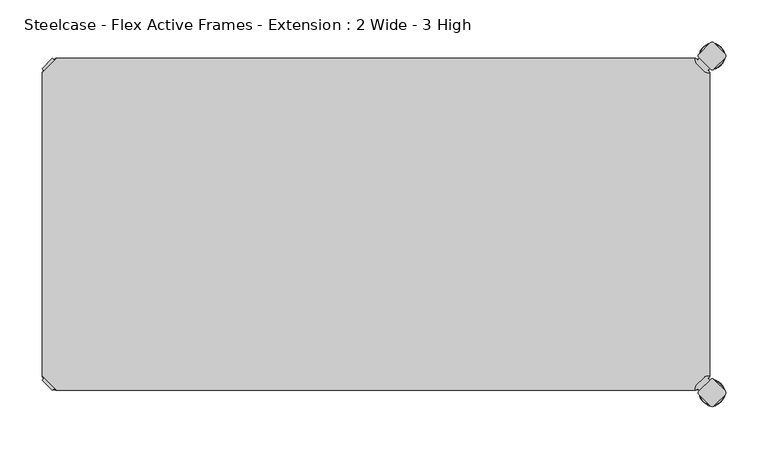
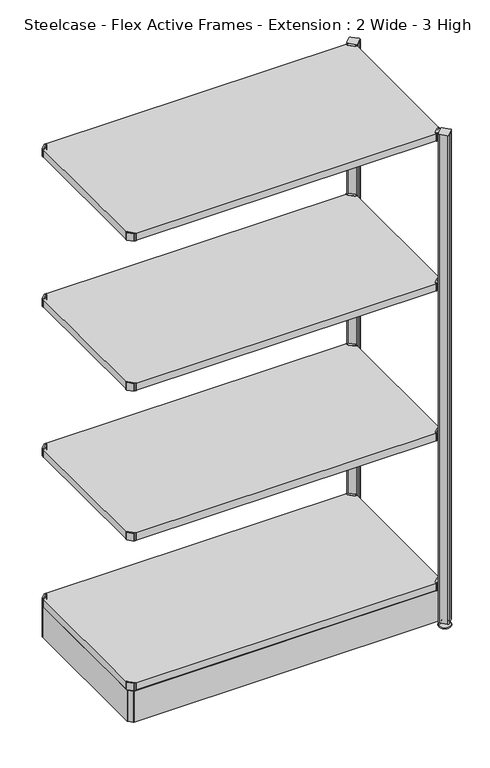
"""IFC4 building model written with IfcOpenShell, lengths in millimetres: furniture geometry, Steelcase - Flex Active Frames - Extension : 2 Wide - 3 High."""

from ifc_helpers import new_model, si_unit, point, frame, frame_2d, origin, place, context, project, spatial, polyline, circle_curve, ellipse_curve, trimmed, segment, composite_curve, outline, extrude, source, transform, mapped, element, save
from ifc_brep_helpers import plane_surface, cylinder_surface, revolved_surface, advanced_brep


def steelcase_flex_active_frames_extension_2_wide_3_high_677f6b04(model_context):
    return source(origin(), model_context, "Body", "SolidModel", [
        advanced_brep(
        [(795.4995166, -396.9286835, 0.0), (809.4482375, -396.9286835, 0.0), (781.5507958, -396.9286835, 0.0), (810.3951451, -396.9286835, 2.116325), (780.6038882, -396.9286835, 2.116325), (804.2429012, -396.9286835, 8.9997406), (786.7561321, -396.9286835, 8.9997406), (802.9003852, -396.9286835, 8.9997406), (788.0986481, -396.9286835, 8.9997406), (802.9003852, -396.9286835, 12.0919909), (788.0986481, -396.9286835, 12.0919909), (802.3923852, -396.9286835, 12.5999909), (788.6066481, -396.9286835, 12.5999909), (799.518847, -396.9286835, 12.5999909), (791.4801863, -396.9286835, 12.5999909), (799.518847, -396.9286835, 22.7146261), (791.4801863, -396.9286835, 22.7146261), (795.4995166, -396.9286835, 22.7146261)],
        [
            (0, 1),
            (1, 2, circle_curve(frame((795.4995166, -396.9286835, 0.0), z_axis=(0.0, 0.0, -1.0), x_axis=(1.0, 0.0, 0.0)), 13.9487209)),
            (2, 0),
            (2, 1, circle_curve(frame((795.4995166, -396.9286835, 0.0), z_axis=(0.0, 0.0, -1.0), x_axis=(1.0, 0.0, 0.0)), 13.9487209)),
            (1, 3, circle_curve(frame((809.4482375, -396.9286835, 1.27), z_axis=(0.0, -1.0, 0.0), x_axis=(1.0, 0.0, 0.0)), 1.27)),
            (3, 4, circle_curve(frame((795.4995166, -396.9286835, 2.116325), z_axis=(0.0, 0.0, -1.0), x_axis=(1.0, 0.0, 0.0)), 14.8956285)),
            (4, 2, circle_curve(frame((781.5507958, -396.9286835, 1.27), z_axis=(0.0, -1.0, 0.0), x_axis=(-1.0, 0.0, 0.0)), 1.27)),
            (4, 3, circle_curve(frame((795.4995166, -396.9286835, 2.116325), z_axis=(0.0, 0.0, -1.0), x_axis=(1.0, 0.0, 0.0)), 14.8956285)),
            (3, 5),
            (5, 6, circle_curve(frame((795.4995166, -396.9286835, 8.9997406), z_axis=(0.0, 0.0, -1.0), x_axis=(1.0, 0.0, 0.0)), 8.7433846)),
            (6, 4),
            (6, 5, circle_curve(frame((795.4995166, -396.9286835, 8.9997406), z_axis=(0.0, 0.0, -1.0), x_axis=(1.0, 0.0, 0.0)), 8.7433846)),
            (5, 7),
            (7, 8, circle_curve(frame((795.4995166, -396.9286835, 8.9997406), z_axis=(0.0, 0.0, -1.0), x_axis=(1.0, 0.0, 0.0)), 7.4008685)),
            (8, 6),
            (8, 7, circle_curve(frame((795.4995166, -396.9286835, 8.9997406), z_axis=(0.0, 0.0, -1.0), x_axis=(1.0, 0.0, 0.0)), 7.4008685)),
            (7, 9),
            (9, 10, circle_curve(frame((795.4995166, -396.9286835, 12.0919909), z_axis=(0.0, 0.0, -1.0), x_axis=(1.0, 0.0, 0.0)), 7.4008685)),
            (10, 8),
            (10, 9, circle_curve(frame((795.4995166, -396.9286835, 12.0919909), z_axis=(0.0, 0.0, -1.0), x_axis=(1.0, 0.0, 0.0)), 7.4008685)),
            (9, 11, circle_curve(frame((802.3923852, -396.9286835, 12.0919909), z_axis=(0.0, -1.0, 0.0), x_axis=(1.0, 0.0, 0.0)), 0.508)),
            (11, 12, circle_curve(frame((795.4995166, -396.9286835, 12.5999909), z_axis=(0.0, 0.0, -1.0), x_axis=(1.0, 0.0, 0.0)), 6.8928685)),
            (12, 10, circle_curve(frame((788.6066481, -396.9286835, 12.0919909), z_axis=(0.0, -1.0, 0.0), x_axis=(-1.0, 0.0, 0.0)), 0.508)),
            (12, 11, circle_curve(frame((795.4995166, -396.9286835, 12.5999909), z_axis=(0.0, 0.0, -1.0), x_axis=(1.0, 0.0, 0.0)), 6.8928685)),
            (11, 13),
            (13, 14, circle_curve(frame((795.4995166, -396.9286835, 12.5999909), z_axis=(0.0, 0.0, -1.0), x_axis=(1.0, 0.0, 0.0)), 4.0193303)),
            (14, 12),
            (14, 13, circle_curve(frame((795.4995166, -396.9286835, 12.5999909), z_axis=(0.0, 0.0, -1.0), x_axis=(1.0, 0.0, 0.0)), 4.0193303)),
            (13, 15),
            (15, 16, circle_curve(frame((795.4995166, -396.9286835, 22.7146261), z_axis=(0.0, 0.0, -1.0), x_axis=(1.0, 0.0, 0.0)), 4.0193303)),
            (16, 14),
            (16, 15, circle_curve(frame((795.4995166, -396.9286835, 22.7146261), z_axis=(0.0, 0.0, -1.0), x_axis=(1.0, 0.0, 0.0)), 4.0193303)),
            (15, 17),
            (17, 16),
        ],
        [
            plane_surface(frame((795.4995166, -396.9286835, 0.0), z_axis=(0.0, 0.0, -1.0), x_axis=(1.0, 0.0, 0.0))),
            revolved_surface(trimmed(ellipse_curve(frame((809.4482375, -396.9286835, 1.27), z_axis=(0.0, 1.0, 0.0), x_axis=(1.0, 0.0, 0.0)), 1.27, 1.27), [point((810.3951451, -396.9286835, 2.116325))], [point((809.4482375, -396.9286835, 0.0))], True, "CARTESIAN"), (795.4995166, -396.9286835, 32.0514718), (0.0, 0.0, -1.0)),
            revolved_surface(polyline([(804.2429012, -396.9286835, 8.9997406), (810.3951451, -396.9286835, 2.116325)]), (795.4995166, -396.9286835, 32.0514718), (0.0, 0.0, -1.0)),
            plane_surface(frame((795.4995166, -396.9286835, 8.9997406), z_axis=(0.0, 0.0, 1.0), x_axis=(1.0, 0.0, 0.0))),
            cylinder_surface(frame((795.4995166, -396.9286835, 32.0514718), z_axis=(0.0, 0.0, -1.0), x_axis=(1.0, 0.0, 0.0)), 7.4008685),
            revolved_surface(trimmed(ellipse_curve(frame((802.3923852, -396.9286835, 12.0919909), z_axis=(0.0, 1.0, 0.0), x_axis=(1.0, 0.0, 0.0)), 0.508, 0.508), [point((802.3923852, -396.9286835, 12.5999909))], [point((802.9003852, -396.9286835, 12.0919909))], True, "CARTESIAN"), (795.4995166, -396.9286835, 32.0514718), (0.0, 0.0, -1.0)),
            plane_surface(frame((795.4995166, -396.9286835, 12.5999909), z_axis=(0.0, 0.0, 1.0), x_axis=(1.0, 0.0, 0.0))),
            cylinder_surface(frame((795.4995166, -396.9286835, 32.0514718), z_axis=(0.0, 0.0, -1.0), x_axis=(1.0, 0.0, 0.0)), 4.0193303),
            plane_surface(frame((795.4995166, -396.9286835, 22.7146261), z_axis=(0.0, 0.0, 1.0), x_axis=(1.0, 0.0, 0.0))),
        ],
        [
            (0, [[1, 2, 3]]),
            (0, [[-3, 4, -1]]),
            (1, [[-2, 5, 6, 7]]),
            (1, [[-4, -7, 8, -5]]),
            (2, [[-6, 9, 10, 11]]),
            (2, [[-8, -11, 12, -9]]),
            (3, [[-10, 13, 14, 15]]),
            (3, [[-12, -15, 16, -13]]),
            (4, [[-14, 17, 18, 19]]),
            (4, [[-16, -19, 20, -17]]),
            (5, [[-18, 21, 22, 23]]),
            (5, [[-20, -23, 24, -21]]),
            (6, [[-22, 25, 26, 27]]),
            (6, [[-24, -27, 28, -25]]),
            (7, [[-26, 29, 30, 31]]),
            (7, [[-28, -31, 32, -29]]),
            (8, [[-30, 33, 34]]),
            (8, [[-32, -34, -33]]),
        ],
    ),
        advanced_brep(
        [(795.4995166, 2.9246323, 0.0), (781.5507958, 2.9246323, 0.0), (809.4482375, 2.9246323, 0.0), (780.6038882, 2.9246323, 2.116325), (810.3951451, 2.9246323, 2.116325), (786.7561321, 2.9246323, 8.9997406), (804.2429012, 2.9246323, 8.9997406), (788.0986481, 2.9246323, 8.9997406), (802.9003852, 2.9246323, 8.9997406), (788.0986481, 2.9246323, 12.0919909), (802.9003852, 2.9246323, 12.0919909), (788.6066481, 2.9246323, 12.5999909), (802.3923852, 2.9246323, 12.5999909), (791.4801863, 2.9246323, 12.5999909), (799.518847, 2.9246323, 12.5999909), (791.4801863, 2.9246323, 22.7146261), (799.518847, 2.9246323, 22.7146261), (795.4995166, 2.9246323, 22.7146261)],
        [
            (0, 1),
            (1, 2, circle_curve(frame((795.4995166, 2.9246323, 0.0), z_axis=(0.0, 0.0, -1.0), x_axis=(1.0, 0.0, 0.0)), 13.9487209)),
            (2, 0),
            (2, 1, circle_curve(frame((795.4995166, 2.9246323, 0.0), z_axis=(0.0, 0.0, -1.0), x_axis=(1.0, 0.0, 0.0)), 13.9487209)),
            (1, 3, circle_curve(frame((781.5507958, 2.9246323, 1.27), z_axis=(0.0, 1.0, 0.0), x_axis=(-1.0, 0.0, 0.0)), 1.27)),
            (3, 4, circle_curve(frame((795.4995166, 2.9246323, 2.116325), z_axis=(0.0, 0.0, -1.0), x_axis=(1.0, 0.0, 0.0)), 14.8956285)),
            (4, 2, circle_curve(frame((809.4482375, 2.9246323, 1.27), z_axis=(0.0, 1.0, 0.0), x_axis=(1.0, 0.0, 0.0)), 1.27)),
            (4, 3, circle_curve(frame((795.4995166, 2.9246323, 2.116325), z_axis=(0.0, 0.0, -1.0), x_axis=(1.0, 0.0, 0.0)), 14.8956285)),
            (3, 5),
            (5, 6, circle_curve(frame((795.4995166, 2.9246323, 8.9997406), z_axis=(0.0, 0.0, -1.0), x_axis=(1.0, 0.0, 0.0)), 8.7433846)),
            (6, 4),
            (6, 5, circle_curve(frame((795.4995166, 2.9246323, 8.9997406), z_axis=(0.0, 0.0, -1.0), x_axis=(1.0, 0.0, 0.0)), 8.7433846)),
            (5, 7),
            (7, 8, circle_curve(frame((795.4995166, 2.9246323, 8.9997406), z_axis=(0.0, 0.0, -1.0), x_axis=(1.0, 0.0, 0.0)), 7.4008685)),
            (8, 6),
            (8, 7, circle_curve(frame((795.4995166, 2.9246323, 8.9997406), z_axis=(0.0, 0.0, -1.0), x_axis=(1.0, 0.0, 0.0)), 7.4008685)),
            (7, 9),
            (9, 10, circle_curve(frame((795.4995166, 2.9246323, 12.0919909), z_axis=(0.0, 0.0, -1.0), x_axis=(1.0, 0.0, 0.0)), 7.4008685)),
            (10, 8),
            (10, 9, circle_curve(frame((795.4995166, 2.9246323, 12.0919909), z_axis=(0.0, 0.0, -1.0), x_axis=(1.0, 0.0, 0.0)), 7.4008685)),
            (9, 11, circle_curve(frame((788.6066481, 2.9246323, 12.0919909), z_axis=(0.0, 1.0, 0.0), x_axis=(-1.0, 0.0, 0.0)), 0.508)),
            (11, 12, circle_curve(frame((795.4995166, 2.9246323, 12.5999909), z_axis=(0.0, 0.0, -1.0), x_axis=(1.0, 0.0, 0.0)), 6.8928685)),
            (12, 10, circle_curve(frame((802.3923852, 2.9246323, 12.0919909), z_axis=(0.0, 1.0, 0.0), x_axis=(1.0, 0.0, 0.0)), 0.508)),
            (12, 11, circle_curve(frame((795.4995166, 2.9246323, 12.5999909), z_axis=(0.0, 0.0, -1.0), x_axis=(1.0, 0.0, 0.0)), 6.8928685)),
            (11, 13),
            (13, 14, circle_curve(frame((795.4995166, 2.9246323, 12.5999909), z_axis=(0.0, 0.0, -1.0), x_axis=(1.0, 0.0, 0.0)), 4.0193303)),
            (14, 12),
            (14, 13, circle_curve(frame((795.4995166, 2.9246323, 12.5999909), z_axis=(0.0, 0.0, -1.0), x_axis=(1.0, 0.0, 0.0)), 4.0193303)),
            (13, 15),
            (15, 16, circle_curve(frame((795.4995166, 2.9246323, 22.7146261), z_axis=(0.0, 0.0, -1.0), x_axis=(1.0, 0.0, 0.0)), 4.0193303)),
            (16, 14),
            (16, 15, circle_curve(frame((795.4995166, 2.9246323, 22.7146261), z_axis=(0.0, 0.0, -1.0), x_axis=(1.0, 0.0, 0.0)), 4.0193303)),
            (15, 17),
            (17, 16),
        ],
        [
            plane_surface(frame((795.4995166, 2.9246323, 0.0), z_axis=(0.0, 0.0, -1.0), x_axis=(1.0, 0.0, 0.0))),
            revolved_surface(trimmed(ellipse_curve(frame((809.4482375, 2.9246323, 1.27), z_axis=(0.0, 1.0, 0.0), x_axis=(1.0, 0.0, 0.0)), 1.27, 1.27), [point((810.3951451, 2.9246323, 2.116325))], [point((809.4482375, 2.9246323, 0.0))], True, "CARTESIAN"), (795.4995166, 2.9246323, 32.0514718), (0.0, 0.0, -1.0)),
            revolved_surface(polyline([(804.2429012, 2.9246323, 8.9997406), (810.3951451, 2.9246323, 2.116325)]), (795.4995166, 2.9246323, 32.0514718), (0.0, 0.0, -1.0)),
            plane_surface(frame((795.4995166, 2.9246323, 8.9997406), z_axis=(0.0, 0.0, 1.0), x_axis=(1.0, 0.0, 0.0))),
            cylinder_surface(frame((795.4995166, 2.9246323, 32.0514718), z_axis=(0.0, 0.0, -1.0), x_axis=(1.0, 0.0, 0.0)), 7.4008685),
            revolved_surface(trimmed(ellipse_curve(frame((802.3923852, 2.9246323, 12.0919909), z_axis=(0.0, 1.0, 0.0), x_axis=(1.0, 0.0, 0.0)), 0.508, 0.508), [point((802.3923852, 2.9246323, 12.5999909))], [point((802.9003852, 2.9246323, 12.0919909))], True, "CARTESIAN"), (795.4995166, 2.9246323, 32.0514718), (0.0, 0.0, -1.0)),
            plane_surface(frame((795.4995166, 2.9246323, 12.5999909), z_axis=(0.0, 0.0, 1.0), x_axis=(1.0, 0.0, 0.0))),
            cylinder_surface(frame((795.4995166, 2.9246323, 32.0514718), z_axis=(0.0, 0.0, -1.0), x_axis=(1.0, 0.0, 0.0)), 4.0193303),
            plane_surface(frame((795.4995166, 2.9246323, 22.7146261), z_axis=(0.0, 0.0, 1.0), x_axis=(1.0, 0.0, 0.0))),
        ],
        [
            (0, [[1, 2, 3]]),
            (0, [[-3, 4, -1]]),
            (1, [[5, 6, 7, -2]]),
            (1, [[-7, 8, -5, -4]]),
            (2, [[9, 10, 11, -6]]),
            (2, [[-11, 12, -9, -8]]),
            (3, [[13, 14, 15, -10]]),
            (3, [[-15, 16, -13, -12]]),
            (4, [[17, 18, 19, -14]]),
            (4, [[-19, 20, -17, -16]]),
            (5, [[21, 22, 23, -18]]),
            (5, [[-23, 24, -21, -20]]),
            (6, [[25, 26, 27, -22]]),
            (6, [[-27, 28, -25, -24]]),
            (7, [[29, 30, 31, -26]]),
            (7, [[-31, 32, -29, -28]]),
            (8, [[33, 34, -30]]),
            (8, [[-34, -33, -32]]),
        ],
    ),
        extrude(outline(composite_curve([segment(polyline([(778.3364357, -1.93874), (780.4244011, 0.1493247), (792.6187028, -12.044977), (790.530772, -14.1329326), (792.5017057, -16.1038431), (792.4895198, -17.203916), (789.7543812, -16.8384277)]), True, "CONTINUOUS"), segment(trimmed(circle_curve(frame_2d((790.5954366, -10.5443729)), 6.35), [point((789.7543812, -16.8384277))], [point((786.1052784, -15.0344708))], False, "CARTESIAN"), True, "CONTINUOUS"), segment(polyline([(786.1052784, -15.0344708), (777.4359854, -6.3650612)]), True, "CONTINUOUS"), segment(trimmed(circle_curve(frame_2d((781.9261436, -1.8749633)), 6.35), [point((777.4359854, -6.3650612))], [point((775.6321123, -2.7161946))], False, "CARTESIAN"), True, "CONTINUOUS"), segment(polyline([(775.6321123, -2.7161946), (775.26654, 0.0189911), (776.3664729, 0.0311996), (778.3364357, -1.93874)]), True, "CONTINUOUS")], self_intersect=False)), frame((0.0, 0.0, 1296.4822014), z_axis=(0.0, 0.0, 1.0), x_axis=(1.0, 0.0, 0.0)), (0.0, 0.0, 1.0), 20.2281258),
        extrude(outline(composite_curve([segment(polyline([(778.3364357, -392.01526), (776.3664729, -393.9851996), (775.26654, -393.9729911), (775.6321123, -391.2378054)]), True, "CONTINUOUS"), segment(trimmed(circle_curve(frame_2d((781.9261436, -392.0790367)), 6.35), [point((775.6321123, -391.2378054))], [point((777.4359854, -387.5889388))], False, "CARTESIAN"), True, "CONTINUOUS"), segment(polyline([(777.4359854, -387.5889388), (786.1052784, -378.9195292)]), True, "CONTINUOUS"), segment(trimmed(circle_curve(frame_2d((790.5954366, -383.4096271)), 6.35), [point((786.1052784, -378.9195292))], [point((789.7543812, -377.1155723))], False, "CARTESIAN"), True, "CONTINUOUS"), segment(polyline([(789.7543812, -377.1155723), (792.4895198, -376.750084), (792.5017057, -377.8501569), (790.530772, -379.8210674), (792.6187028, -381.909023), (780.4244011, -394.1033247), (778.3364357, -392.01526)]), True, "CONTINUOUS")], self_intersect=False)), frame((0.0, 0.0, 1296.4822014), z_axis=(0.0, 0.0, 1.0), x_axis=(1.0, 0.0, 0.0)), (0.0, 0.0, 1.0), 20.2281258),
        extrude(outline(polyline([(0.0003876, -376.7599914), (0.0003876, -17.1940086), (17.1943962, 0.0), (775.2856038, 0.0), (792.4796124, -17.1940086), (792.4796124, -376.7599914), (775.2856038, -393.954), (17.1943962, -393.954), (0.0003876, -376.7599914)])), frame((0.0, 0.0, 1297.499678), z_axis=(0.0, 0.0, 1.0), x_axis=(1.0, 0.0, 0.0)), (0.0, 0.0, 1.0), 19.0000031),
        extrude(outline(composite_curve([segment(polyline([(14.1435643, -1.93874), (16.1135271, 0.0311996), (17.21346, 0.0189911), (16.8478877, -2.7161946)]), True, "CONTINUOUS"), segment(trimmed(circle_curve(frame_2d((10.5538564, -1.8749633)), 6.35), [point((16.8478877, -2.7161946))], [point((15.0440146, -6.3650612))], False, "CARTESIAN"), True, "CONTINUOUS"), segment(polyline([(15.0440146, -6.3650612), (6.3747216, -15.0344708)]), True, "CONTINUOUS"), segment(trimmed(circle_curve(frame_2d((1.8845634, -10.5443729)), 6.35), [point((6.3747216, -15.0344708))], [point((2.7256188, -16.8384277))], False, "CARTESIAN"), True, "CONTINUOUS"), segment(polyline([(2.7256188, -16.8384277), (-0.0095198, -17.203916), (-0.0217057, -16.1038431), (1.949228, -14.1329326), (-0.1387028, -12.044977), (12.0555989, 0.1493247), (14.1435643, -1.93874)]), True, "CONTINUOUS")], self_intersect=False)), frame((0.0, 0.0, 1296.4822014), z_axis=(0.0, 0.0, 1.0), x_axis=(1.0, 0.0, 0.0)), (0.0, 0.0, 1.0), 20.2281258),
        extrude(outline(composite_curve([segment(polyline([(14.1435643, -392.01526), (12.0555989, -394.1033247), (-0.1387028, -381.909023), (1.949228, -379.8210674), (-0.0217057, -377.8501569), (-0.0095198, -376.750084), (2.7256188, -377.1155723)]), True, "CONTINUOUS"), segment(trimmed(circle_curve(frame_2d((1.8845634, -383.4096271)), 6.35), [point((2.7256188, -377.1155723))], [point((6.3747216, -378.9195292))], False, "CARTESIAN"), True, "CONTINUOUS"), segment(polyline([(6.3747216, -378.9195292), (15.0440146, -387.5889388)]), True, "CONTINUOUS"), segment(trimmed(circle_curve(frame_2d((10.5538564, -392.0790367)), 6.35), [point((15.0440146, -387.5889388))], [point((16.8478877, -391.2378054))], False, "CARTESIAN"), True, "CONTINUOUS"), segment(polyline([(16.8478877, -391.2378054), (17.21346, -393.9729911), (16.1135271, -393.9851996), (14.1435643, -392.01526)]), True, "CONTINUOUS")], self_intersect=False)), frame((0.0, 0.0, 1296.4822014), z_axis=(0.0, 0.0, 1.0), x_axis=(1.0, 0.0, 0.0)), (0.0, 0.0, 1.0), 20.2281258),
        extrude(outline(composite_curve([segment(polyline([(778.3364357, -1.93874), (780.4244011, 0.1493247), (792.6187028, -12.044977), (790.530772, -14.1329326), (792.5017057, -16.1038431), (792.4895198, -17.203916), (789.7543812, -16.8384277)]), True, "CONTINUOUS"), segment(trimmed(circle_curve(frame_2d((790.5954366, -10.5443729)), 6.35), [point((789.7543812, -16.8384277))], [point((786.1052784, -15.0344708))], False, "CARTESIAN"), True, "CONTINUOUS"), segment(polyline([(786.1052784, -15.0344708), (777.4359854, -6.3650612)]), True, "CONTINUOUS"), segment(trimmed(circle_curve(frame_2d((781.9261436, -1.8749633)), 6.35), [point((777.4359854, -6.3650612))], [point((775.6321123, -2.7161946))], False, "CARTESIAN"), True, "CONTINUOUS"), segment(polyline([(775.6321123, -2.7161946), (775.26654, 0.0189911), (776.3664729, 0.0311996), (778.3364357, -1.93874)]), True, "CONTINUOUS")], self_intersect=False)), frame((0.0, 0.0, 896.4822952), z_axis=(0.0, 0.0, 1.0), x_axis=(1.0, 0.0, 0.0)), (0.0, 0.0, 1.0), 20.2281258),
        extrude(outline(composite_curve([segment(polyline([(778.3364357, -392.01526), (776.3664729, -393.9851996), (775.26654, -393.9729911), (775.6321123, -391.2378054)]), True, "CONTINUOUS"), segment(trimmed(circle_curve(frame_2d((781.9261436, -392.0790367)), 6.35), [point((775.6321123, -391.2378054))], [point((777.4359854, -387.5889388))], False, "CARTESIAN"), True, "CONTINUOUS"), segment(polyline([(777.4359854, -387.5889388), (786.1052784, -378.9195292)]), True, "CONTINUOUS"), segment(trimmed(circle_curve(frame_2d((790.5954366, -383.4096271)), 6.35), [point((786.1052784, -378.9195292))], [point((789.7543812, -377.1155723))], False, "CARTESIAN"), True, "CONTINUOUS"), segment(polyline([(789.7543812, -377.1155723), (792.4895198, -376.750084), (792.5017057, -377.8501569), (790.530772, -379.8210674), (792.6187028, -381.909023), (780.4244011, -394.1033247), (778.3364357, -392.01526)]), True, "CONTINUOUS")], self_intersect=False)), frame((0.0, 0.0, 896.4822952), z_axis=(0.0, 0.0, 1.0), x_axis=(1.0, 0.0, 0.0)), (0.0, 0.0, 1.0), 20.2281258),
        extrude(outline(composite_curve([segment(polyline([(778.3364357, -1.93874), (780.4244011, 0.1493247), (792.6187028, -12.044977), (790.530772, -14.1329326), (792.5017057, -16.1038431), (792.4895198, -17.203916), (789.7543812, -16.8384277)]), True, "CONTINUOUS"), segment(trimmed(circle_curve(frame_2d((790.5954366, -10.5443729)), 6.35), [point((789.7543812, -16.8384277))], [point((786.1052784, -15.0344708))], False, "CARTESIAN"), True, "CONTINUOUS"), segment(polyline([(786.1052784, -15.0344708), (777.4359854, -6.3650612)]), True, "CONTINUOUS"), segment(trimmed(circle_curve(frame_2d((781.9261436, -1.8749633)), 6.35), [point((777.4359854, -6.3650612))], [point((775.6321123, -2.7161946))], False, "CARTESIAN"), True, "CONTINUOUS"), segment(polyline([(775.6321123, -2.7161946), (775.26654, 0.0189911), (776.3664729, 0.0311996), (778.3364357, -1.93874)]), True, "CONTINUOUS")], self_intersect=False)), frame((0.0, 0.0, 496.4821468), z_axis=(0.0, 0.0, 1.0), x_axis=(1.0, 0.0, 0.0)), (0.0, 0.0, 1.0), 20.2281258),
        extrude(outline(composite_curve([segment(polyline([(778.3364357, -392.01526), (776.3664729, -393.9851996), (775.26654, -393.9729911), (775.6321123, -391.2378054)]), True, "CONTINUOUS"), segment(trimmed(circle_curve(frame_2d((781.9261436, -392.0790367)), 6.35), [point((775.6321123, -391.2378054))], [point((777.4359854, -387.5889388))], False, "CARTESIAN"), True, "CONTINUOUS"), segment(polyline([(777.4359854, -387.5889388), (786.1052784, -378.9195292)]), True, "CONTINUOUS"), segment(trimmed(circle_curve(frame_2d((790.5954366, -383.4096271)), 6.35), [point((786.1052784, -378.9195292))], [point((789.7543812, -377.1155723))], False, "CARTESIAN"), True, "CONTINUOUS"), segment(polyline([(789.7543812, -377.1155723), (792.4895198, -376.750084), (792.5017057, -377.8501569), (790.530772, -379.8210674), (792.6187028, -381.909023), (780.4244011, -394.1033247), (778.3364357, -392.01526)]), True, "CONTINUOUS")], self_intersect=False)), frame((0.0, 0.0, 496.4821468), z_axis=(0.0, 0.0, 1.0), x_axis=(1.0, 0.0, 0.0)), (0.0, 0.0, 1.0), 20.2281258),
        extrude(outline(composite_curve([segment(polyline([(778.3364357, -1.93874), (780.4244011, 0.1493247), (792.6187028, -12.044977), (790.530772, -14.1329326), (792.5017057, -16.1038431), (792.4895198, -17.203916), (789.7543812, -16.8384277)]), True, "CONTINUOUS"), segment(trimmed(circle_curve(frame_2d((790.5954366, -10.5443729)), 6.35), [point((789.7543812, -16.8384277))], [point((786.1052784, -15.0344708))], False, "CARTESIAN"), True, "CONTINUOUS"), segment(polyline([(786.1052784, -15.0344708), (777.4359854, -6.3650612)]), True, "CONTINUOUS"), segment(trimmed(circle_curve(frame_2d((781.9261436, -1.8749633)), 6.35), [point((777.4359854, -6.3650612))], [point((775.6321123, -2.7161946))], False, "CARTESIAN"), True, "CONTINUOUS"), segment(polyline([(775.6321123, -2.7161946), (775.26654, 0.0189911), (776.3664729, 0.0311996), (778.3364357, -1.93874)]), True, "CONTINUOUS")], self_intersect=False)), frame((0.0, 0.0, 96.4824829), z_axis=(0.0, 0.0, 1.0), x_axis=(1.0, 0.0, 0.0)), (0.0, 0.0, 1.0), 20.2281258),
        extrude(outline(composite_curve([segment(polyline([(778.3364357, -392.01526), (776.3664729, -393.9851996), (775.26654, -393.9729911), (775.6321123, -391.2378054)]), True, "CONTINUOUS"), segment(trimmed(circle_curve(frame_2d((781.9261436, -392.0790367)), 6.35), [point((775.6321123, -391.2378054))], [point((777.4359854, -387.5889388))], False, "CARTESIAN"), True, "CONTINUOUS"), segment(polyline([(777.4359854, -387.5889388), (786.1052784, -378.9195292)]), True, "CONTINUOUS"), segment(trimmed(circle_curve(frame_2d((790.5954366, -383.4096271)), 6.35), [point((786.1052784, -378.9195292))], [point((789.7543812, -377.1155723))], False, "CARTESIAN"), True, "CONTINUOUS"), segment(polyline([(789.7543812, -377.1155723), (792.4895198, -376.750084), (792.5017057, -377.8501569), (790.530772, -379.8210674), (792.6187028, -381.909023), (780.4244011, -394.1033247), (778.3364357, -392.01526)]), True, "CONTINUOUS")], self_intersect=False)), frame((0.0, 0.0, 96.4824829), z_axis=(0.0, 0.0, 1.0), x_axis=(1.0, 0.0, 0.0)), (0.0, 0.0, 1.0), 20.2281258),
        extrude(outline(composite_curve([segment(trimmed(circle_curve(frame_2d((808.8538021, 2.9983545)), 3.048), [point((811.0090767, 5.1536029))], [point((811.0090505, 0.8430799))], False, "CARTESIAN"), True, "CONTINUOUS"), segment(polyline([(811.0090505, 0.8430799), (797.6462856, -12.5195224)]), True, "CONTINUOUS"), segment(trimmed(circle_curve(frame_2d((795.4910373, -10.3642478)), 3.048), [point((797.6462856, -12.5195224))], [point((793.3357649, -12.5194983))], False, "CARTESIAN"), True, "CONTINUOUS"), segment(polyline([(793.3357649, -12.5194983), (779.9732856, 0.8431164)]), True, "CONTINUOUS"), segment(trimmed(circle_curve(frame_2d((782.128558, 2.998367)), 3.048), [point((779.9732856, 0.8431164))], [point((779.9732965, 5.1536284))], False, "CARTESIAN"), True, "CONTINUOUS"), segment(polyline([(779.9732965, 5.1536284), (793.3359936, 18.5163256)]), True, "CONTINUOUS"), segment(trimmed(circle_curve(frame_2d((795.4912551, 16.3610641)), 3.048), [point((793.3359936, 18.5163256))], [point((797.6465297, 18.5163124))], False, "CARTESIAN"), True, "CONTINUOUS"), segment(polyline([(797.6465297, 18.5163124), (811.0090767, 5.1536029)]), True, "CONTINUOUS")], self_intersect=False)), frame((0.0, 0.0, 12.5999909), z_axis=(0.0, 0.0, 1.0), x_axis=(1.0, 0.0, 0.0)), (0.0, 0.0, 1.0), 1303.8820091),
        extrude(outline(composite_curve([segment(polyline([(811.0090767, -399.1076029), (797.6465297, -412.4703124)]), True, "CONTINUOUS"), segment(trimmed(circle_curve(frame_2d((795.4912551, -410.3150641)), 3.048), [point((797.6465297, -412.4703124))], [point((793.3359936, -412.4703256))], False, "CARTESIAN"), True, "CONTINUOUS"), segment(polyline([(793.3359936, -412.4703256), (779.9732965, -399.1076284)]), True, "CONTINUOUS"), segment(trimmed(circle_curve(frame_2d((782.128558, -396.952367)), 3.048), [point((779.9732965, -399.1076284))], [point((779.9732856, -394.7971164))], False, "CARTESIAN"), True, "CONTINUOUS"), segment(polyline([(779.9732856, -394.7971164), (793.3357649, -381.4345017)]), True, "CONTINUOUS"), segment(trimmed(circle_curve(frame_2d((795.4910373, -383.5897522)), 3.048), [point((793.3357649, -381.4345017))], [point((797.6462856, -381.4344776))], False, "CARTESIAN"), True, "CONTINUOUS"), segment(polyline([(797.6462856, -381.4344776), (811.0090505, -394.7970799)]), True, "CONTINUOUS"), segment(trimmed(circle_curve(frame_2d((808.8538021, -396.9523545)), 3.048), [point((811.0090505, -394.7970799))], [point((811.0090767, -399.1076029))], False, "CARTESIAN"), True, "CONTINUOUS")], self_intersect=False)), frame((0.0, 0.0, 12.5999909), z_axis=(0.0, 0.0, 1.0), x_axis=(1.0, 0.0, 0.0)), (0.0, 0.0, 1.0), 1303.8820091),
        extrude(outline(polyline([(0.0003876, -376.7599914), (0.0003876, -17.1940086), (17.1943962, 0.0), (775.2856038, 0.0), (792.4796124, -17.1940086), (792.4796124, -376.7599914), (775.2856038, -393.954), (17.1943962, -393.954), (0.0003876, -376.7599914)])), frame((0.0, 0.0, 97.4999596), z_axis=(0.0, 0.0, 1.0), x_axis=(1.0, 0.0, 0.0)), (0.0, 0.0, 1.0), 19.0000031),
        extrude(outline(composite_curve([segment(polyline([(14.1435643, -1.93874), (16.1135271, 0.0311996), (17.21346, 0.0189911), (16.8478877, -2.7161946)]), True, "CONTINUOUS"), segment(trimmed(circle_curve(frame_2d((10.5538564, -1.8749633)), 6.35), [point((16.8478877, -2.7161946))], [point((15.0440146, -6.3650612))], False, "CARTESIAN"), True, "CONTINUOUS"), segment(polyline([(15.0440146, -6.3650612), (6.3747216, -15.0344708)]), True, "CONTINUOUS"), segment(trimmed(circle_curve(frame_2d((1.8845634, -10.5443729)), 6.35), [point((6.3747216, -15.0344708))], [point((2.7256188, -16.8384277))], False, "CARTESIAN"), True, "CONTINUOUS"), segment(polyline([(2.7256188, -16.8384277), (-0.0095198, -17.203916), (-0.0217057, -16.1038431), (1.949228, -14.1329326), (-0.1387028, -12.044977), (12.0555989, 0.1493247), (14.1435643, -1.93874)]), True, "CONTINUOUS")], self_intersect=False)), frame((0.0, 0.0, 96.4824829), z_axis=(0.0, 0.0, 1.0), x_axis=(1.0, 0.0, 0.0)), (0.0, 0.0, 1.0), 20.2281258),
        extrude(outline(composite_curve([segment(polyline([(14.1435643, -392.01526), (12.0555989, -394.1033247), (-0.1387028, -381.909023), (1.949228, -379.8210674), (-0.0217057, -377.8501569), (-0.0095198, -376.750084), (2.7256188, -377.1155723)]), True, "CONTINUOUS"), segment(trimmed(circle_curve(frame_2d((1.8845634, -383.4096271)), 6.35), [point((2.7256188, -377.1155723))], [point((6.3747216, -378.9195292))], False, "CARTESIAN"), True, "CONTINUOUS"), segment(polyline([(6.3747216, -378.9195292), (15.0440146, -387.5889388)]), True, "CONTINUOUS"), segment(trimmed(circle_curve(frame_2d((10.5538564, -392.0790367)), 6.35), [point((15.0440146, -387.5889388))], [point((16.8478877, -391.2378054))], False, "CARTESIAN"), True, "CONTINUOUS"), segment(polyline([(16.8478877, -391.2378054), (17.21346, -393.9729911), (16.1135271, -393.9851996), (14.1435643, -392.01526)]), True, "CONTINUOUS")], self_intersect=False)), frame((0.0, 0.0, 96.4824829), z_axis=(0.0, 0.0, 1.0), x_axis=(1.0, 0.0, 0.0)), (0.0, 0.0, 1.0), 20.2281258),
        extrude(outline(polyline([(0.0003876, -376.7599914), (0.0003876, -17.1940086), (17.1943962, 0.0), (775.2856038, 0.0), (792.4796124, -17.1940086), (792.4796124, -376.7599914), (775.2856038, -393.954), (17.1943962, -393.954), (0.0003876, -376.7599914)])), frame((0.0, 0.0, 497.4996235), z_axis=(0.0, 0.0, 1.0), x_axis=(1.0, 0.0, 0.0)), (0.0, 0.0, 1.0), 19.0000031),
        extrude(outline(composite_curve([segment(polyline([(14.1435643, -1.93874), (16.1135271, 0.0311996), (17.21346, 0.0189911), (16.8478877, -2.7161946)]), True, "CONTINUOUS"), segment(trimmed(circle_curve(frame_2d((10.5538564, -1.8749633)), 6.35), [point((16.8478877, -2.7161946))], [point((15.0440146, -6.3650612))], False, "CARTESIAN"), True, "CONTINUOUS"), segment(polyline([(15.0440146, -6.3650612), (6.3747216, -15.0344708)]), True, "CONTINUOUS"), segment(trimmed(circle_curve(frame_2d((1.8845634, -10.5443729)), 6.35), [point((6.3747216, -15.0344708))], [point((2.7256188, -16.8384277))], False, "CARTESIAN"), True, "CONTINUOUS"), segment(polyline([(2.7256188, -16.8384277), (-0.0095198, -17.203916), (-0.0217057, -16.1038431), (1.949228, -14.1329326), (-0.1387028, -12.044977), (12.0555989, 0.1493247), (14.1435643, -1.93874)]), True, "CONTINUOUS")], self_intersect=False)), frame((0.0, 0.0, 496.4821468), z_axis=(0.0, 0.0, 1.0), x_axis=(1.0, 0.0, 0.0)), (0.0, 0.0, 1.0), 20.2281258),
        extrude(outline(composite_curve([segment(polyline([(14.1435643, -392.01526), (12.0555989, -394.1033247), (-0.1387028, -381.909023), (1.949228, -379.8210674), (-0.0217057, -377.8501569), (-0.0095198, -376.750084), (2.7256188, -377.1155723)]), True, "CONTINUOUS"), segment(trimmed(circle_curve(frame_2d((1.8845634, -383.4096271)), 6.35), [point((2.7256188, -377.1155723))], [point((6.3747216, -378.9195292))], False, "CARTESIAN"), True, "CONTINUOUS"), segment(polyline([(6.3747216, -378.9195292), (15.0440146, -387.5889388)]), True, "CONTINUOUS"), segment(trimmed(circle_curve(frame_2d((10.5538564, -392.0790367)), 6.35), [point((15.0440146, -387.5889388))], [point((16.8478877, -391.2378054))], False, "CARTESIAN"), True, "CONTINUOUS"), segment(polyline([(16.8478877, -391.2378054), (17.21346, -393.9729911), (16.1135271, -393.9851996), (14.1435643, -392.01526)]), True, "CONTINUOUS")], self_intersect=False)), frame((0.0, 0.0, 496.4821468), z_axis=(0.0, 0.0, 1.0), x_axis=(1.0, 0.0, 0.0)), (0.0, 0.0, 1.0), 20.2281258),
        extrude(outline(polyline([(0.0003876, -376.7599914), (0.0003876, -17.1940086), (17.1943962, 0.0), (775.2856038, 0.0), (792.4796124, -17.1940086), (792.4796124, -376.7599914), (775.2856038, -393.954), (17.1943962, -393.954), (0.0003876, -376.7599914)])), frame((0.0, 0.0, 897.4997719), z_axis=(0.0, 0.0, 1.0), x_axis=(1.0, 0.0, 0.0)), (0.0, 0.0, 1.0), 19.0000031),
        extrude(outline(composite_curve([segment(polyline([(14.1435643, -1.93874), (16.1135271, 0.0311996), (17.21346, 0.0189911), (16.8478877, -2.7161946)]), True, "CONTINUOUS"), segment(trimmed(circle_curve(frame_2d((10.5538564, -1.8749633)), 6.35), [point((16.8478877, -2.7161946))], [point((15.0440146, -6.3650612))], False, "CARTESIAN"), True, "CONTINUOUS"), segment(polyline([(15.0440146, -6.3650612), (6.3747216, -15.0344708)]), True, "CONTINUOUS"), segment(trimmed(circle_curve(frame_2d((1.8845634, -10.5443729)), 6.35), [point((6.3747216, -15.0344708))], [point((2.7256188, -16.8384277))], False, "CARTESIAN"), True, "CONTINUOUS"), segment(polyline([(2.7256188, -16.8384277), (-0.0095198, -17.203916), (-0.0217057, -16.1038431), (1.949228, -14.1329326), (-0.1387028, -12.044977), (12.0555989, 0.1493247), (14.1435643, -1.93874)]), True, "CONTINUOUS")], self_intersect=False)), frame((0.0, 0.0, 896.4822952), z_axis=(0.0, 0.0, 1.0), x_axis=(1.0, 0.0, 0.0)), (0.0, 0.0, 1.0), 20.2281258),
        extrude(outline(composite_curve([segment(polyline([(14.1435643, -392.01526), (12.0555989, -394.1033247), (-0.1387028, -381.909023), (1.949228, -379.8210674), (-0.0217057, -377.8501569), (-0.0095198, -376.750084), (2.7256188, -377.1155723)]), True, "CONTINUOUS"), segment(trimmed(circle_curve(frame_2d((1.8845634, -383.4096271)), 6.35), [point((2.7256188, -377.1155723))], [point((6.3747216, -378.9195292))], False, "CARTESIAN"), True, "CONTINUOUS"), segment(polyline([(6.3747216, -378.9195292), (15.0440146, -387.5889388)]), True, "CONTINUOUS"), segment(trimmed(circle_curve(frame_2d((10.5538564, -392.0790367)), 6.35), [point((15.0440146, -387.5889388))], [point((16.8478877, -391.2378054))], False, "CARTESIAN"), True, "CONTINUOUS"), segment(polyline([(16.8478877, -391.2378054), (17.21346, -393.9729911), (16.1135271, -393.9851996), (14.1435643, -392.01526)]), True, "CONTINUOUS")], self_intersect=False)), frame((0.0, 0.0, 896.4822952), z_axis=(0.0, 0.0, 1.0), x_axis=(1.0, 0.0, 0.0)), (0.0, 0.0, 1.0), 20.2281258),
        extrude(outline(composite_curve([segment(polyline([(12.155908, -1.0018273), (780.3465262, -1.0019264)]), True, "CONTINUOUS"), segment(trimmed(circle_curve(frame_2d((780.3240926, -3.5418273)), 2.54), [point((780.3465262, -1.0019264))], [point((782.1201439, -1.7457761))], False, "CARTESIAN"), True, "CONTINUOUS"), segment(polyline([(782.1201439, -1.7457761), (790.7284839, -10.3541161)]), True, "CONTINUOUS"), segment(trimmed(circle_curve(frame_2d((788.9324327, -12.1501673)), 2.54), [point((790.7284839, -10.3541161))], [point((791.4724327, -12.1501687))], False, "CARTESIAN"), True, "CONTINUOUS"), segment(polyline([(791.4724327, -12.1501687), (791.4722349, -381.8355295)]), True, "CONTINUOUS"), segment(trimmed(circle_curve(frame_2d((788.9324327, -381.8038327)), 2.54), [point((791.4722349, -381.8355295))], [point((790.7284839, -383.5998839))], False, "CARTESIAN"), True, "CONTINUOUS"), segment(polyline([(790.7284839, -383.5998839), (782.1201439, -392.2082239)]), True, "CONTINUOUS"), segment(trimmed(circle_curve(frame_2d((780.3240926, -390.4121727)), 2.54), [point((782.1201439, -392.2082239))], [point((780.3465262, -392.9520736))], False, "CARTESIAN"), True, "CONTINUOUS"), segment(polyline([(780.3465262, -392.9520736), (12.155908, -392.9521727)]), True, "CONTINUOUS"), segment(trimmed(circle_curve(frame_2d((12.1559074, -390.4121727)), 2.54), [point((12.155908, -392.9521727))], [point((10.3598561, -392.2082239))], False, "CARTESIAN"), True, "CONTINUOUS"), segment(polyline([(10.3598561, -392.2082239), (1.7515161, -383.5998839)]), True, "CONTINUOUS"), segment(trimmed(circle_curve(frame_2d((3.5475673, -381.8038327)), 2.54), [point((1.7515161, -383.5998839))], [point((1.0077651, -381.8355295))], False, "CARTESIAN"), True, "CONTINUOUS"), segment(polyline([(1.0077651, -381.8355295), (1.0075673, -12.1501687)]), True, "CONTINUOUS"), segment(trimmed(circle_curve(frame_2d((3.5475673, -12.1501673)), 2.54), [point((1.0075673, -12.1501687))], [point((1.7515161, -10.3541161))], False, "CARTESIAN"), True, "CONTINUOUS"), segment(polyline([(1.7515161, -10.3541161), (10.3598561, -1.7457761)]), True, "CONTINUOUS"), segment(trimmed(circle_curve(frame_2d((12.1559074, -3.5418273)), 2.54), [point((10.3598561, -1.7457761))], [point((12.155908, -1.0018273))], False, "CARTESIAN"), True, "CONTINUOUS")], self_intersect=False)), frame((0.0, 0.0, 12.5999909), z_axis=(0.0, 0.0, 1.0), x_axis=(1.0, 0.0, 0.0)), (0.0, 0.0, 1.0), 82.39977),
    ])


if __name__ == "__main__":
    model = new_model("IFC4")
    model_context = context("Model", 3, world=origin())
    ifc_project = project(units=[si_unit("LENGTHUNIT", "METRE", prefix="MILLI")], contexts=[model_context])
    site = spatial("IfcSite", under=ifc_project)
    building = spatial("IfcBuilding", under=site)
    placement = place(None, origin())
    steelcase_flex_active_frames_extension_2_wide_3_high_shape = steelcase_flex_active_frames_extension_2_wide_3_high_677f6b04(model_context)
    element("IfcFurniture", 1, ObjectType="Steelcase - Flex Active Frames - Extension : 2 Wide - 3 High", at=placement, inside=building, context=model_context, shape_type="MappedRepresentation", body=[
        mapped(steelcase_flex_active_frames_extension_2_wide_3_high_shape, transform((0.0, 0.0, 0.0), x_axis=(1.0, 0.0, 0.0), y_axis=(0.0, 1.0, 0.0), z_axis=(0.0, 0.0, 1.0))),
    ])
    save(model, "model.ifc")
